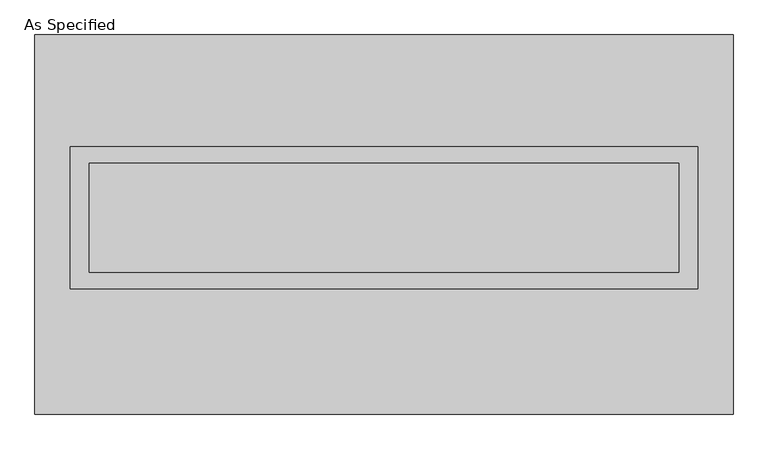
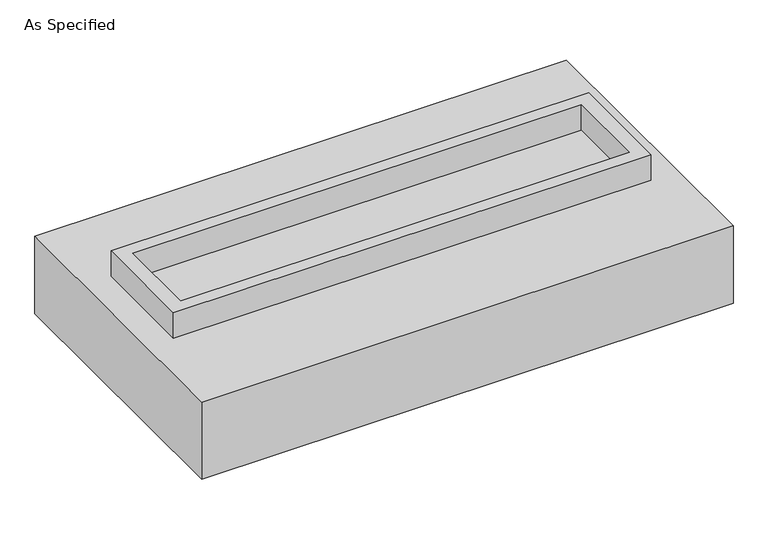
"""IFC4 building model written with IfcOpenShell, lengths in millimetres: proxy geometry, As Specified."""

from ifc_helpers import new_model, si_unit, frame, origin, place, context, project, spatial, polyline, outline, extrude, source, transform, mapped, element, save


def as_specified_ad98fb16(model_context):
    return source(origin(), model_context, "Body", "SweptSolid", [
        extrude(outline(polyline([(1460.5, 361.95), (1460.5, -298.45), (-1460.5, -298.45), (-1460.5, 361.95), (1460.5, 361.95)]), holes=[polyline([(1371.6, 285.75), (-1371.6, 285.75), (-1371.6, -222.25), (1371.6, -222.25), (1371.6, 285.75)])]), frame((0.0, 0.0, -688.975), z_axis=(0.0, 0.0, 1.0), x_axis=(1.0, 0.0, 0.0)), (0.0, 0.0, 1.0), 165.1),
        extrude(outline(polyline([(1460.5, 361.95), (1460.5, -298.45), (-1460.5, -298.45), (-1460.5, 361.95), (1460.5, 361.95)]), holes=[polyline([(1371.6, 285.75), (-1371.6, 285.75), (-1371.6, -222.25), (1371.6, -222.25), (1371.6, 285.75)])]), frame((0.0, 0.0, -25.4), z_axis=(0.0, 0.0, 1.0), x_axis=(1.0, 0.0, 0.0)), (0.0, 0.0, 1.0), 165.1),
        extrude(outline(polyline([(1371.6, 285.75), (1371.6, -222.25), (-1371.6, -222.25), (-1371.6, 285.75), (1371.6, 285.75)])), frame((0.0, 0.0, -523.875), z_axis=(0.0, 0.0, 1.0), x_axis=(1.0, 0.0, 0.0)), (0.0, 0.0, 1.0), 4.9609375),
        extrude(outline(polyline([(1371.6, 285.75), (1371.6, -222.25), (-1371.6, -222.25), (-1371.6, 285.75), (1371.6, 285.75)])), frame((0.0, 0.0, -30.3609375), z_axis=(0.0, 0.0, 1.0), x_axis=(1.0, 0.0, 0.0)), (0.0, 0.0, 1.0), 4.9609375),
        extrude(outline(polyline([(1625.6, -882.65), (-1625.6, -882.65), (-1625.6, 882.65), (1625.6, 882.65), (1625.6, -882.65)]), holes=[polyline([(-1460.5, 361.95), (-1460.5, -298.45), (1460.5, -298.45), (1460.5, 361.95), (-1460.5, 361.95)])]), frame((0.0, 0.0, -523.875), z_axis=(0.0, 0.0, 1.0), x_axis=(1.0, 0.0, 0.0)), (0.0, 0.0, 1.0), 498.475),
    ])


if __name__ == "__main__":
    model = new_model("IFC4")
    model_context = context("Model", 3, world=origin())
    ifc_project = project(units=[si_unit("LENGTHUNIT", "METRE", prefix="MILLI")], contexts=[model_context])
    site = spatial("IfcSite", under=ifc_project)
    building = spatial("IfcBuilding", under=site)
    placement = place(None, origin())
    as_specified_shape = as_specified_ad98fb16(model_context)
    element("IfcBuildingElementProxy", 1, Name="As Specified", ObjectType="As Specified", at=placement, inside=building, context=model_context, shape_type="MappedRepresentation", body=[
        mapped(as_specified_shape, transform((0.0, 0.0, 0.0), x_axis=(1.0, 0.0, 0.0), y_axis=(0.0, 1.0, 0.0), z_axis=(0.0, 0.0, 1.0))),
    ])
    save(model, "model.ifc")
